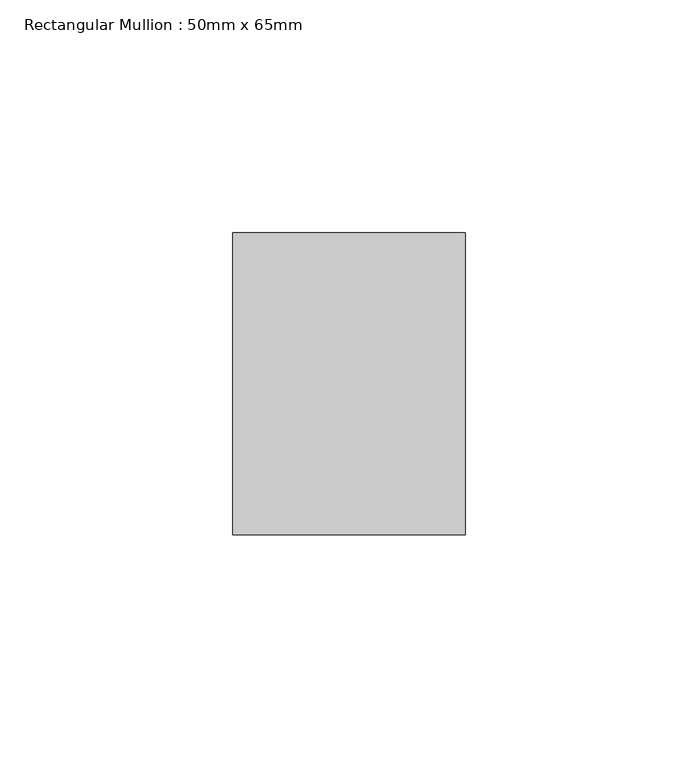
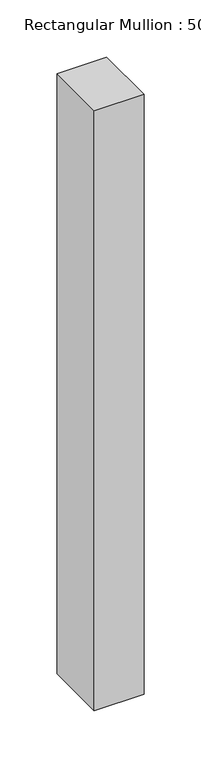
"""IFC4 building model written with IfcOpenShell, lengths in millimetres: member geometry, Rectangular Mullion : 50mm x 65mm."""

import ifcopenshell
import ifcopenshell.guid

model = None  # the IFC model being written
_history = None  # IfcOwnerHistory: only IFC2X3 demands one
_inside = {}  # id of a spatial element -> (the spatial element, [elements in it])
_under = {}  # id of a project, library or spatial element -> (it, [spatial elements below it])
_declared = {}  # id of a project -> (the project, [libraries it declares])
_typed = {}  # id of a type object -> (the type object, [elements of that type])
_made_of = {}  # id of a material, layer set ... -> (it, [elements and type objects made of it])


def new_model(schema):
    """Start an empty IFC model of exactly this schema.

    Asked for "IFC4X3", IfcOpenShell would pick the latest addendum, in which some entities
    have other attributes; the version numbers below select the first issue.
    IFC2X3 requires an IfcOwnerHistory on every rooted entity: one is made here for all.
    """
    global model, _history
    if schema == "IFC4X3":
        model = ifcopenshell.file(schema_version=(4, 3, 0, 0))
    else:
        model = ifcopenshell.file(schema=schema)
    _inside.clear()
    _under.clear()
    _declared.clear()
    _typed.clear()
    _made_of.clear()
    _history = None
    if model.schema == "IFC2X3":
        org = make("IfcOrganization", Name="unknown")
        user = make(
            "IfcPersonAndOrganization",
            ThePerson=make("IfcPerson", FamilyName="unknown"),
            TheOrganization=org,
        )
        app = make(
            "IfcApplication",
            ApplicationDeveloper=org,
            Version="unknown",
            ApplicationFullName="unknown",
            ApplicationIdentifier="unknown",
        )
        _history = make(
            "IfcOwnerHistory",
            OwningUser=user,
            OwningApplication=app,
            ChangeAction="ADDED",
            CreationDate=0,
        )
    return model


def make(cls, **values):
    """One entity of the class cls with the attributes given. An attribute that is None is left unset."""
    return model.create_entity(
        cls, **{name: value for name, value in values.items() if value is not None}
    )


def rooted(cls, **values):
    """An entity with a GlobalId (a new one), such as an element, a storey or a relation."""
    return make(cls, GlobalId=ifcopenshell.guid.new(), OwnerHistory=_history, **values)


def si_unit(unit_type, name, prefix=None):
    """IfcSIUnit, for example si_unit("LENGTHUNIT", "METRE", prefix="MILLI")."""
    return make("IfcSIUnit", UnitType=unit_type, Prefix=prefix, Name=name)


def assignment(units):
    """IfcUnitAssignment: the units of a project."""
    return None if units is None else make("IfcUnitAssignment", Units=units)


def point(xyz):
    """IfcCartesianPoint."""
    return None if xyz is None else make("IfcCartesianPoint", Coordinates=xyz)


def direction(xyz):
    """IfcDirection."""
    return None if xyz is None else make("IfcDirection", DirectionRatios=xyz)


def frame(location, z_axis=None, x_axis=None):
    """IfcAxis2Placement3D, a coordinate frame: its origin and axes. An axis left out is left unset."""
    return make(
        "IfcAxis2Placement3D",
        Location=point(location),
        Axis=direction(z_axis),
        RefDirection=direction(x_axis),
    )


def origin():
    """The frame at (0, 0, 0) with its axes left unset."""
    return frame((0.0, 0.0, 0.0))


def place(relative_to, where):
    """IfcLocalPlacement: puts the frame where relative to a parent placement (None: the world)."""
    return make(
        "IfcLocalPlacement", PlacementRelTo=relative_to, RelativePlacement=where
    )


def context(
    kind, dimensions, precision=None, world=None, true_north=None, identifier=None
):
    """IfcGeometricRepresentationContext, for example the 3D "Model" context."""
    return make(
        "IfcGeometricRepresentationContext",
        ContextIdentifier=identifier,
        ContextType=kind,
        CoordinateSpaceDimension=dimensions,
        Precision=precision,
        WorldCoordinateSystem=world,
        TrueNorth=true_north,
    )


def project(units=None, contexts=None):
    """IfcProject with its units and contexts."""
    return rooted(
        "IfcProject",
        Name="project",
        RepresentationContexts=contexts,
        UnitsInContext=assignment(units),
    )


def spatial(cls, under=None, at=None, **own):
    """A site, building, storey or space (cls), placed at a placement, below another one or the project."""
    s = rooted(cls, ObjectPlacement=at, **own)
    if under is not None:
        _under.setdefault(under.id(), (under, []))[1].append(s)
    return s


def polyline(points):
    """IfcPolyline through the points."""
    return make("IfcPolyline", Points=[point(p) for p in points])


def outline(outer, holes=None, kind="AREA"):
    """IfcArbitraryClosedProfileDef: a profile drawn as a closed curve; with holes, ...WithVoids."""
    if holes is None:
        return make("IfcArbitraryClosedProfileDef", ProfileType=kind, OuterCurve=outer)
    return make(
        "IfcArbitraryProfileDefWithVoids",
        ProfileType=kind,
        OuterCurve=outer,
        InnerCurves=holes,
    )


def extrude(swept, where, along, depth):
    """IfcExtrudedAreaSolid: the profile swept, set in the frame where, extruded along a direction by depth."""
    return make(
        "IfcExtrudedAreaSolid",
        SweptArea=swept,
        Position=where,
        ExtrudedDirection=direction(along),
        Depth=depth,
    )


def shape(context_of_items, identifier, shape_type, items):
    """IfcShapeRepresentation: the items that make up one representation, for example the "Body"."""
    return make(
        "IfcShapeRepresentation",
        ContextOfItems=context_of_items,
        RepresentationIdentifier=identifier,
        RepresentationType=shape_type,
        Items=items,
    )


def source(mapping_origin, context_of_items, identifier, shape_type, items):
    """IfcRepresentationMap: a shape defined once, which mapped items show again and again."""
    return make(
        "IfcRepresentationMap",
        MappingOrigin=mapping_origin,
        MappedRepresentation=shape(context_of_items, identifier, shape_type, items),
    )


def transform(
    local_origin,
    x_axis=None,
    y_axis=None,
    z_axis=None,
    scale=None,
    scale2=None,
    scale3=None,
    uniform=True,
):
    """IfcCartesianTransformationOperator3D, or its non-uniform kind. x_axis, y_axis, z_axis: its Axis1, 2, 3."""
    if uniform:
        return make(
            "IfcCartesianTransformationOperator3D",
            Axis1=direction(x_axis),
            Axis2=direction(y_axis),
            LocalOrigin=point(local_origin),
            Scale=scale,
            Axis3=direction(z_axis),
        )
    return make(
        "IfcCartesianTransformationOperator3DnonUniform",
        Axis1=direction(x_axis),
        Axis2=direction(y_axis),
        LocalOrigin=point(local_origin),
        Scale=scale,
        Axis3=direction(z_axis),
        Scale2=scale2,
        Scale3=scale3,
    )


def mapped(mapping_source, mapping_target):
    """IfcMappedItem: shows the shape of a source again, moved by a transform."""
    return make(
        "IfcMappedItem", MappingSource=mapping_source, MappingTarget=mapping_target
    )


def made_of(thing, what):
    """Note that an element or type object is made of a material, layer set ...; save() writes the relation."""
    if what is not None:
        _made_of.setdefault(what.id(), (what, []))[1].append(thing)
    return thing


def element(
    cls,
    number,
    at=None,
    inside=None,
    cuts=None,
    type_object=None,
    material=None,
    context=None,
    identifier="Body",
    shape_type=None,
    held_by="IfcProductDefinitionShape",
    body=None,
    shapes=None,
    **own,
):
    """One element of the class cls, such as IfcWall. Its Tag is "e" and its number.

    at: its placement. inside: the storey or other place that contains it. cuts: it is an
    opening in that element (IfcRelVoidsElement). A single representation is given by context,
    identifier, shape_type and body (its items); several are given by shapes. held_by: the class
    of the entity that holds the representations. save() writes the other relations.
    """
    e = rooted(cls, Tag="e%d" % number, ObjectPlacement=at, **own)
    if body is not None:
        shapes = [shape(context, identifier, shape_type, body)]
    if shapes is not None:
        e.Representation = make(held_by, Representations=shapes)
    if inside is not None:
        _inside.setdefault(inside.id(), (inside, []))[1].append(e)
    if cuts is not None:
        rooted(
            "IfcRelVoidsElement", RelatingBuildingElement=cuts, RelatedOpeningElement=e
        )
    if type_object is not None:
        _typed.setdefault(type_object.id(), (type_object, []))[1].append(e)
    return made_of(e, material)


def aggregate(whole, parts):
    """IfcRelAggregates: a whole, such as a stair, and the parts it consists of."""
    return rooted("IfcRelAggregates", RelatingObject=whole, RelatedObjects=parts)


def save(model, path):
    """Write the relations noted so far, then the file.

    IfcRelAggregates (storeys below a building ...), IfcRelContainedInSpatialStructure (elements
    in a storey), IfcRelDefinesByType, IfcRelAssociatesMaterial and IfcRelDeclares: one each for
    every whole, place, type object, material and project.
    """
    for whole, parts in _under.values():
        aggregate(whole, parts)
    for where, things in _inside.values():
        rooted(
            "IfcRelContainedInSpatialStructure",
            RelatedElements=things,
            RelatingStructure=where,
        )
    for kind, things in _typed.values():
        rooted("IfcRelDefinesByType", RelatedObjects=things, RelatingType=kind)
    for what, things in _made_of.values():
        rooted("IfcRelAssociatesMaterial", RelatedObjects=things, RelatingMaterial=what)
    for by, libraries in _declared.values():
        rooted("IfcRelDeclares", RelatingContext=by, RelatedDefinitions=libraries)
    model.write(path)


def rectangular_mullion_50mm_x_65mm_113ec58e(model_context):
    return source(origin(), model_context, "Body", "SweptSolid", [
        extrude(outline(polyline([(25.0, 32.5), (25.0, -32.5), (-25.0, -32.5), (-25.0, 32.5), (25.0, 32.5)])), frame((0.0, 0.0, -639.7125191), z_axis=(0.0, 0.0, 1.0), x_axis=(1.0, 0.0, 0.0)), (0.0, 0.0, 1.0), 639.7125191),
    ])


if __name__ == "__main__":
    model = new_model("IFC4")
    model_context = context("Model", 3, world=origin())
    ifc_project = project(units=[si_unit("LENGTHUNIT", "METRE", prefix="MILLI")], contexts=[model_context])
    site = spatial("IfcSite", under=ifc_project)
    building = spatial("IfcBuilding", under=site)
    placement = place(None, origin())
    rectangular_mullion_50mm_x_65mm_shape = rectangular_mullion_50mm_x_65mm_113ec58e(model_context)
    element("IfcMember", 1, ObjectType="Rectangular Mullion : 50mm x 65mm", at=placement, inside=building, context=model_context, shape_type="MappedRepresentation", body=[
        mapped(rectangular_mullion_50mm_x_65mm_shape, transform((0.0, 0.0, 0.0), x_axis=(1.0, 0.0, 0.0), y_axis=(0.0, 1.0, 0.0), z_axis=(0.0, 0.0, 1.0))),
    ])
    save(model, "model.ifc")
